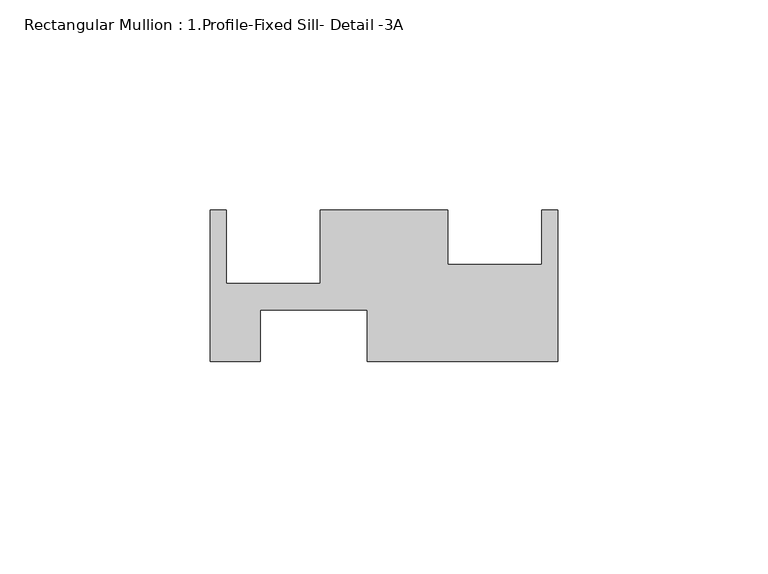
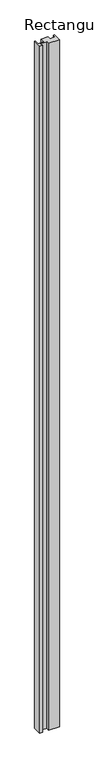
"""IFC4 building model written with IfcOpenShell, lengths in millimetres: member geometry, Rectangular Mullion : 1.Profile-Fixed Sill- Detail -3A."""

from ifc_helpers import new_model, si_unit, frame, origin, place, context, project, spatial, polyline, outline, extrude, source, transform, mapped, element, save


def rectangular_mullion_1_profile_fixed_sill_detail_3a_4e5e4d95(model_context):
    return source(origin(), model_context, "Body", "SweptSolid", [
        extrude(outline(polyline([(-82.55, 18.3532671), (-78.8162, 18.3532671), (-78.8162, 0.9288671), (-56.4388, 0.9288671), (-56.4388, 18.3532567), (-26.1112, 18.3532567), (-26.1112, 5.4246671), (-3.7338, 5.4246671), (-3.7338, 18.3532671), (0.0, 18.3532671), (0.0, -17.6385329), (-45.3136, -17.6385329), (-45.3136, -5.4211329), (-70.7136, -5.4211329), (-70.7136, -17.6385329), (-82.55, -17.6385329), (-82.55, 18.3532671)])), frame((0.0, 0.0, -3048.0), z_axis=(0.0, 0.0, 1.0), x_axis=(1.0, 0.0, 0.0)), (0.0, 0.0, 1.0), 3048.0),
    ])


if __name__ == "__main__":
    model = new_model("IFC4")
    model_context = context("Model", 3, world=origin())
    ifc_project = project(units=[si_unit("LENGTHUNIT", "METRE", prefix="MILLI")], contexts=[model_context])
    site = spatial("IfcSite", under=ifc_project)
    building = spatial("IfcBuilding", under=site)
    placement = place(None, origin())
    rectangular_mullion_1_profile_fixed_sill_detail_3a_shape = rectangular_mullion_1_profile_fixed_sill_detail_3a_4e5e4d95(model_context)
    element("IfcMember", 1, ObjectType="Rectangular Mullion : 1.Profile-Fixed Sill- Detail -3A", at=placement, inside=building, context=model_context, shape_type="MappedRepresentation", body=[
        mapped(rectangular_mullion_1_profile_fixed_sill_detail_3a_shape, transform((0.0, 0.0, 0.0), x_axis=(1.0, 0.0, 0.0), y_axis=(0.0, 1.0, 0.0), z_axis=(0.0, 0.0, 1.0))),
    ])
    save(model, "model.ifc")
